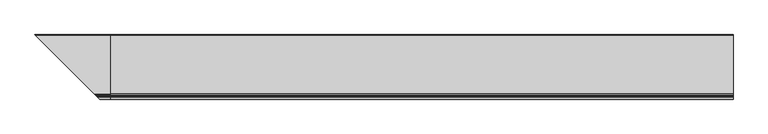
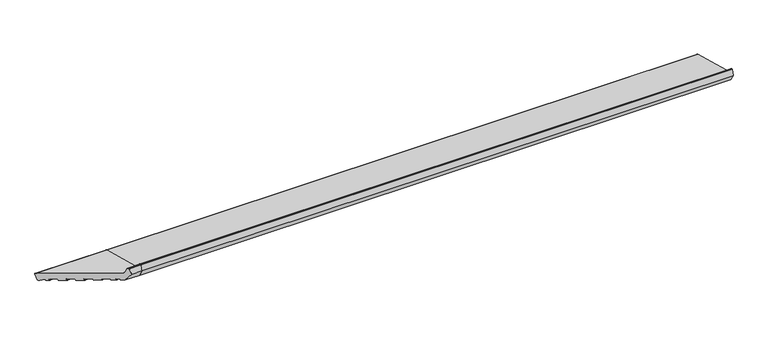
"""IFC4 building model written with IfcOpenShell, lengths in millimetres: proxy geometry."""

from ifc_helpers import new_model, si_unit, point, frame, frame_2d, origin, place, context, project, spatial, polyline, circle_curve, ellipse_curve, trimmed, segment, composite_curve, outline, extrude, source, transform, mapped, element, save
from ifc_brep_helpers import plane_surface, cylinder_surface, revolved_surface, advanced_brep


def generic_models_de0c3aec(model_context):
    return source(origin(), model_context, "Body", "SolidModel", [
        advanced_brep(
        [(0.0, 24.3497968, 5.5107678), (0.0, 28.0240314, 7.6320881), (0.0, 34.7533266, 32.7461596), (0.0, 32.6320062, 36.4203942), (0.0, -215.1626434, 102.8167705), (0.0, -219.4052841, 107.0594112), (0.0, -224.1879801, 124.908676), (0.0, -225.6368689, 126.0204474), (0.0, -228.9802434, 126.0204474), (0.0, -230.4291321, 124.908676), (0.0, -237.0, 100.3858631), (0.0, -219.3223305, 69.7672413), (0.0, -205.7993689, 66.1437747), (0.0, -204.574624, 66.8508815), (0.0, -203.5393479, 70.7145848), (0.0, -202.314603, 71.4216916), (0.0, -192.6553447, 68.8335011), (0.0, -191.9482379, 67.6087562), (0.0, -192.9835141, 63.7450529), (0.0, -192.2764073, 62.5203081), (0.0, -179.7193716, 59.1556605), (0.0, -178.4946267, 59.8627673), (0.0, -177.4593505, 63.7264706), (0.0, -176.2346057, 64.4335773), (0.0, -153.0523858, 58.2219203), (0.0, -152.3452791, 56.9971754), (0.0, -153.3805552, 53.1334721), (0.0, -152.6734485, 51.9087272), (0.0, -130.4571545, 45.9558892), (0.0, -129.2324096, 46.662996), (0.0, -128.1971334, 50.5266993), (0.0, -126.9723885, 51.233806), (0.0, -103.7901687, 45.022149), (0.0, -103.0830619, 43.7974041), (0.0, -104.1183381, 39.9337008), (0.0, -103.4112313, 38.7089559), (0.0, -81.1949373, 32.7561179), (0.0, -79.9701924, 33.4632247), (0.0, -78.9349163, 37.326928), (0.0, -77.7101714, 38.0340347), (0.0, -54.5279516, 31.8223777), (0.0, -53.8208448, 30.5976328), (0.0, -54.856121, 26.7339295), (0.0, -54.1490142, 25.5091846), (0.0, -31.9327202, 19.5563466), (0.0, -30.7079753, 20.2634534), (0.0, -29.6726991, 24.1271567), (0.0, -28.4479542, 24.8342634), (0.0, -5.2657344, 18.6226064), (0.0, -4.5586276, 17.3978615), (0.0, -5.5939038, 13.5341582), (0.0, -4.886797, 12.3094133), (0.0, 3.8065354, 9.9800419), (0.0, 5.0312803, 10.6871487), (0.0, 5.9805337, 14.2298107), (0.0, 7.4647895, 14.8261724), (0.0, 21.6330192, 6.2387261), (-306.3497968, 24.3497968, 5.5107678), (-310.0240314, 28.0240314, 7.6320881), (-316.7533266, 34.7533266, 32.7461596), (-314.6320062, 32.6320062, 36.4203942), (-66.8373566, -215.1626434, 102.8167705), (-62.5947159, -219.4052841, 107.0594112), (-57.8120199, -224.1879801, 124.908676), (-56.3631311, -225.6368689, 126.0204474), (-53.0197566, -228.9802434, 126.0204474), (-51.5708679, -230.4291321, 124.908676), (-45.0, -237.0, 100.3858631), (-62.6776695, -219.3223305, 69.7672413), (-76.2006311, -205.7993689, 66.1437747), (-77.425376, -204.574624, 66.8508815), (-78.4606521, -203.5393479, 70.7145848), (-79.685397, -202.314603, 71.4216916), (-89.3446553, -192.6553447, 68.8335011), (-90.0517621, -191.9482379, 67.6087562), (-89.0164859, -192.9835141, 63.7450529), (-89.7235927, -192.2764073, 62.5203081), (-102.2806284, -179.7193716, 59.1556605), (-103.5053733, -178.4946267, 59.8627673), (-104.5406495, -177.4593505, 63.7264706), (-105.7653943, -176.2346057, 64.4335773), (-303.6330192, 21.6330192, 6.2387261), (-128.9476142, -153.0523858, 58.2219203), (-128.6194448, -153.3805552, 53.1334721), (-129.3265515, -152.6734485, 51.9087272), (-129.6547209, -152.3452791, 56.9971754), (-151.5428455, -130.4571545, 45.9558892), (-152.7675904, -129.2324096, 46.662996), (-153.8028666, -128.1971334, 50.5266993), (-155.0276115, -126.9723885, 51.233806), (-178.2098313, -103.7901687, 45.022149), (-289.4647895, 7.4647895, 14.8261724), (-287.9805337, 5.9805337, 14.2298107), (-287.0312803, 5.0312803, 10.6871487), (-285.8065354, 3.8065354, 9.9800419), (-277.113203, -4.886797, 12.3094133), (-276.4060962, -5.5939038, 13.5341582), (-277.4413724, -4.5586276, 17.3978615), (-276.7342656, -5.2657344, 18.6226064), (-253.5520458, -28.4479542, 24.8342634), (-252.3273009, -29.6726991, 24.1271567), (-251.2920247, -30.7079753, 20.2634534), (-250.0672798, -31.9327202, 19.5563466), (-227.8509858, -54.1490142, 25.5091846), (-227.143879, -54.856121, 26.7339295), (-228.1791552, -53.8208448, 30.5976328), (-227.4720484, -54.5279516, 31.8223777), (-204.2898286, -77.7101714, 38.0340347), (-203.0650837, -78.9349163, 37.326928), (-202.0298076, -79.9701924, 33.4632247), (-200.8050627, -81.1949373, 32.7561179), (-178.5887687, -103.4112313, 38.7089559), (-177.8816619, -104.1183381, 39.9337008), (-178.9169381, -103.0830619, 43.7974041)],
        [
            (0, 1, circle_curve(frame((0.0, 25.1262539, 8.4085453), z_axis=(1.0, 0.0, 0.0), x_axis=(0.0, 1.0, 0.0)), 3.0)),
            (1, 2),
            (2, 3, circle_curve(frame((0.0, 31.8555491, 33.5226168), z_axis=(1.0, 0.0, 0.0), x_axis=(0.0, 1.0, 0.0)), 3.0)),
            (3, 4),
            (4, 5, circle_curve(frame((0.0, -213.6097291, 108.6123254), z_axis=(-1.0, 0.0, 0.0), x_axis=(0.0, 1.0, 0.0)), 6.0)),
            (5, 6),
            (6, 7, circle_curve(frame((0.0, -225.6368689, 124.5204474), z_axis=(1.0, 0.0, 0.0), x_axis=(0.0, 1.0, 0.0)), 1.5)),
            (7, 8),
            (8, 9, circle_curve(frame((0.0, -228.9802434, 124.5204474), z_axis=(1.0, 0.0, 0.0), x_axis=(0.0, 1.0, 0.0)), 1.5)),
            (9, 10),
            (10, 11),
            (11, 12),
            (12, 13, circle_curve(frame((0.0, -205.5405499, 67.1097005), z_axis=(1.0, 0.0, 0.0), x_axis=(0.0, 1.0, 0.0)), 1.0)),
            (13, 14),
            (14, 15, circle_curve(frame((0.0, -202.573422, 70.4557657), z_axis=(-1.0, 0.0, 0.0), x_axis=(0.0, 1.0, 0.0)), 1.0)),
            (15, 16),
            (16, 17, circle_curve(frame((0.0, -192.9141638, 67.8675753), z_axis=(-1.0, 0.0, 0.0), x_axis=(0.0, 1.0, 0.0)), 1.0)),
            (17, 18),
            (18, 19, circle_curve(frame((0.0, -192.0175883, 63.4862339), z_axis=(1.0, 0.0, 0.0), x_axis=(0.0, 1.0, 0.0)), 1.0)),
            (19, 20),
            (20, 21, circle_curve(frame((0.0, -179.4605525, 60.1215863), z_axis=(1.0, 0.0, 0.0), x_axis=(0.0, 1.0, 0.0)), 1.0)),
            (21, 22),
            (22, 23, circle_curve(frame((0.0, -176.4934247, 63.4676515), z_axis=(-1.0, 0.0, 0.0), x_axis=(0.0, 1.0, 0.0)), 1.0)),
            (23, 24),
            (24, 25, circle_curve(frame((0.0, -153.3112049, 57.2559944), z_axis=(-1.0, 0.0, 0.0), x_axis=(0.0, 1.0, 0.0)), 1.0)),
            (25, 26),
            (26, 27, circle_curve(frame((0.0, -152.4146294, 52.874653), z_axis=(1.0, 0.0, 0.0), x_axis=(0.0, 1.0, 0.0)), 1.0)),
            (27, 28),
            (28, 29, circle_curve(frame((0.0, -130.1983354, 46.921815), z_axis=(1.0, 0.0, 0.0), x_axis=(0.0, 1.0, 0.0)), 1.0)),
            (29, 30),
            (30, 31, circle_curve(frame((0.0, -127.2312076, 50.2678802), z_axis=(-1.0, 0.0, 0.0), x_axis=(0.0, 1.0, 0.0)), 1.0)),
            (31, 32),
            (32, 33, circle_curve(frame((0.0, -104.0489877, 44.0562231), z_axis=(-1.0, 0.0, 0.0), x_axis=(0.0, 1.0, 0.0)), 1.0)),
            (33, 34),
            (34, 35, circle_curve(frame((0.0, -103.1524123, 39.6748817), z_axis=(1.0, 0.0, 0.0), x_axis=(0.0, 1.0, 0.0)), 1.0)),
            (35, 36),
            (36, 37, circle_curve(frame((0.0, -80.9361183, 33.7220437), z_axis=(1.0, 0.0, 0.0), x_axis=(0.0, 1.0, 0.0)), 1.0)),
            (37, 38),
            (38, 39, circle_curve(frame((0.0, -77.9689904, 37.0681089), z_axis=(-1.0, 0.0, 0.0), x_axis=(0.0, 1.0, 0.0)), 1.0)),
            (39, 40),
            (40, 41, circle_curve(frame((0.0, -54.7867706, 30.8564518), z_axis=(-1.0, 0.0, 0.0), x_axis=(0.0, 1.0, 0.0)), 1.0)),
            (41, 42),
            (42, 43, circle_curve(frame((0.0, -53.8901951, 26.4751104), z_axis=(1.0, 0.0, 0.0), x_axis=(0.0, 1.0, 0.0)), 1.0)),
            (43, 44),
            (44, 45, circle_curve(frame((0.0, -31.6739011, 20.5222724), z_axis=(1.0, 0.0, 0.0), x_axis=(0.0, 1.0, 0.0)), 1.0)),
            (45, 46),
            (46, 47, circle_curve(frame((0.0, -28.7067733, 23.8683376), z_axis=(-1.0, 0.0, 0.0), x_axis=(0.0, 1.0, 0.0)), 1.0)),
            (47, 48),
            (48, 49, circle_curve(frame((0.0, -5.5245535, 17.6566805), z_axis=(-1.0, 0.0, 0.0), x_axis=(0.0, 1.0, 0.0)), 1.0)),
            (49, 50),
            (50, 51, circle_curve(frame((0.0, -4.627978, 13.2753391), z_axis=(1.0, 0.0, 0.0), x_axis=(0.0, 1.0, 0.0)), 1.0)),
            (51, 52),
            (52, 53, circle_curve(frame((0.0, 4.0653544, 10.9459677), z_axis=(1.0, 0.0, 0.0), x_axis=(0.0, 1.0, 0.0)), 1.0)),
            (53, 54),
            (54, 55, circle_curve(frame((0.0, 6.9464595, 13.9709917), z_axis=(-1.0, 0.0, 0.0), x_axis=(0.0, 1.0, 0.0)), 1.0)),
            (55, 56),
            (56, 0),
            (0, 57),
            (57, 58, ellipse_curve(frame((-307.1262539, 25.1262539, 8.4085453), z_axis=(0.707106781186548, 0.7071067811865471, 0.0), x_axis=(-0.707106781186547, 0.707106781186548, 0.0)), 4.2426407, 3.0)),
            (58, 1),
            (58, 59),
            (59, 2),
            (59, 60, ellipse_curve(frame((-313.8555491, 31.8555491, 33.5226168), z_axis=(0.707106781186548, 0.7071067811865471, 0.0), x_axis=(-0.707106781186547, 0.707106781186548, 0.0)), 4.2426407, 3.0)),
            (60, 3),
            (60, 61),
            (61, 4),
            (61, 62, ellipse_curve(frame((-68.3902709, -213.6097291, 108.6123254), z_axis=(-0.707106781186548, -0.7071067811865471, 0.0), x_axis=(0.707106781186547, -0.707106781186548, 0.0)), 8.4852814, 6.0)),
            (62, 5),
            (62, 63),
            (63, 6),
            (63, 64, ellipse_curve(frame((-56.3631311, -225.6368689, 124.5204474), z_axis=(0.707106781186548, 0.7071067811865471, 0.0), x_axis=(-0.707106781186547, 0.707106781186548, 0.0)), 2.1213203, 1.5)),
            (64, 7),
            (64, 65),
            (65, 8),
            (65, 66, ellipse_curve(frame((-53.0197566, -228.9802434, 124.5204474), z_axis=(0.707106781186548, 0.7071067811865471, 0.0), x_axis=(-0.707106781186547, 0.707106781186548, 0.0)), 2.1213203, 1.5)),
            (66, 9),
            (66, 67),
            (67, 10),
            (67, 68),
            (68, 11),
            (68, 69),
            (69, 12),
            (69, 70, ellipse_curve(frame((-76.4594501, -205.5405499, 67.1097005), z_axis=(0.707106781186548, 0.7071067811865471, 0.0), x_axis=(-0.707106781186547, 0.707106781186548, 0.0)), 1.4142136, 1.0)),
            (70, 13),
            (70, 71),
            (71, 14),
            (71, 72, ellipse_curve(frame((-79.426578, -202.573422, 70.4557657), z_axis=(-0.707106781186548, -0.7071067811865471, 0.0), x_axis=(0.707106781186547, -0.707106781186548, 0.0)), 1.4142136, 1.0)),
            (72, 15),
            (72, 73),
            (73, 16),
            (73, 74, ellipse_curve(frame((-89.0858362, -192.9141638, 67.8675753), z_axis=(-0.707106781186548, -0.7071067811865471, 0.0), x_axis=(0.707106781186547, -0.707106781186548, 0.0)), 1.4142136, 1.0)),
            (74, 17),
            (74, 75),
            (75, 18),
            (75, 76, ellipse_curve(frame((-89.9824117, -192.0175883, 63.4862339), z_axis=(0.707106781186548, 0.7071067811865471, 0.0), x_axis=(-0.707106781186547, 0.707106781186548, 0.0)), 1.4142136, 1.0)),
            (76, 19),
            (76, 77),
            (77, 20),
            (77, 78, ellipse_curve(frame((-102.5394475, -179.4605525, 60.1215863), z_axis=(0.707106781186548, 0.7071067811865471, 0.0), x_axis=(-0.707106781186547, 0.707106781186548, 0.0)), 1.4142136, 1.0)),
            (78, 21),
            (78, 79),
            (79, 22),
            (79, 80, ellipse_curve(frame((-105.5065753, -176.4934247, 63.4676515), z_axis=(-0.707106781186548, -0.7071067811865471, 0.0), x_axis=(0.707106781186547, -0.707106781186548, 0.0)), 1.4142136, 1.0)),
            (80, 23),
            (56, 81),
            (81, 57),
            (80, 82),
            (82, 24),
            (26, 83),
            (83, 84, ellipse_curve(frame((-129.5853706, -152.4146294, 52.874653), z_axis=(0.707106781186548, 0.7071067811865471, 0.0), x_axis=(-0.707106781186547, 0.707106781186548, 0.0)), 1.4142136, 1.0)),
            (84, 27),
            (25, 85),
            (85, 83),
            (82, 85, ellipse_curve(frame((-128.6887951, -153.3112049, 57.2559944), z_axis=(-0.707106781186548, -0.7071067811865471, 0.0), x_axis=(0.707106781186547, -0.707106781186548, 0.0)), 1.4142136, 1.0)),
            (84, 86),
            (86, 28),
            (86, 87, ellipse_curve(frame((-151.8016646, -130.1983354, 46.921815), z_axis=(0.707106781186548, 0.7071067811865471, 0.0), x_axis=(-0.707106781186547, 0.707106781186548, 0.0)), 1.4142136, 1.0)),
            (87, 29),
            (87, 88),
            (88, 30),
            (88, 89, ellipse_curve(frame((-154.7687924, -127.2312076, 50.2678802), z_axis=(-0.707106781186548, -0.7071067811865471, 0.0), x_axis=(0.707106781186547, -0.707106781186548, 0.0)), 1.4142136, 1.0)),
            (89, 31),
            (89, 90),
            (90, 32),
            (81, 91),
            (91, 92, ellipse_curve(frame((-288.9464595, 6.9464595, 13.9709917), z_axis=(0.707106781186548, 0.7071067811865471, 0.0), x_axis=(0.707106781186547, -0.707106781186548, 0.0)), 1.4142136, 1.0)),
            (92, 93),
            (93, 94, ellipse_curve(frame((-286.0653544, 4.0653544, 10.9459677), z_axis=(-0.707106781186548, -0.7071067811865471, 0.0), x_axis=(-0.707106781186547, 0.707106781186548, 0.0)), 1.4142136, 1.0)),
            (94, 95),
            (95, 96, ellipse_curve(frame((-277.372022, -4.627978, 13.2753391), z_axis=(-0.707106781186548, -0.7071067811865471, 0.0), x_axis=(-0.707106781186547, 0.707106781186548, 0.0)), 1.4142136, 1.0)),
            (96, 97),
            (97, 98, ellipse_curve(frame((-276.4754465, -5.5245535, 17.6566805), z_axis=(0.707106781186548, 0.7071067811865471, 0.0), x_axis=(0.707106781186547, -0.707106781186548, 0.0)), 1.4142136, 1.0)),
            (98, 99),
            (99, 100, ellipse_curve(frame((-253.2932267, -28.7067733, 23.8683376), z_axis=(0.707106781186548, 0.7071067811865471, 0.0), x_axis=(0.707106781186547, -0.707106781186548, 0.0)), 1.4142136, 1.0)),
            (100, 101),
            (101, 102, ellipse_curve(frame((-250.3260989, -31.6739011, 20.5222724), z_axis=(-0.707106781186548, -0.7071067811865471, 0.0), x_axis=(-0.707106781186547, 0.707106781186548, 0.0)), 1.4142136, 1.0)),
            (102, 103),
            (103, 104, ellipse_curve(frame((-228.1098049, -53.8901951, 26.4751104), z_axis=(-0.707106781186548, -0.7071067811865471, 0.0), x_axis=(-0.707106781186547, 0.707106781186548, 0.0)), 1.4142136, 1.0)),
            (104, 105),
            (105, 106, ellipse_curve(frame((-227.2132294, -54.7867706, 30.8564518), z_axis=(0.707106781186548, 0.7071067811865471, 0.0), x_axis=(0.707106781186547, -0.707106781186548, 0.0)), 1.4142136, 1.0)),
            (106, 107),
            (107, 108, ellipse_curve(frame((-204.0310096, -77.9689904, 37.0681089), z_axis=(0.707106781186548, 0.7071067811865471, 0.0), x_axis=(0.707106781186547, -0.707106781186548, 0.0)), 1.4142136, 1.0)),
            (108, 109),
            (109, 110, ellipse_curve(frame((-201.0638817, -80.9361183, 33.7220437), z_axis=(-0.707106781186548, -0.7071067811865471, 0.0), x_axis=(-0.707106781186547, 0.707106781186548, 0.0)), 1.4142136, 1.0)),
            (110, 111),
            (111, 112, ellipse_curve(frame((-178.8475877, -103.1524123, 39.6748817), z_axis=(-0.707106781186548, -0.7071067811865471, 0.0), x_axis=(-0.707106781186547, 0.707106781186548, 0.0)), 1.4142136, 1.0)),
            (112, 113),
            (113, 90, ellipse_curve(frame((-177.9510123, -104.0489877, 44.0562231), z_axis=(0.707106781186548, 0.7071067811865471, 0.0), x_axis=(0.707106781186547, -0.707106781186548, 0.0)), 1.4142136, 1.0)),
            (39, 107),
            (106, 40),
            (38, 108),
            (37, 109),
            (36, 110),
            (35, 111),
            (34, 112),
            (33, 113),
            (47, 99),
            (98, 48),
            (46, 100),
            (45, 101),
            (44, 102),
            (43, 103),
            (42, 104),
            (41, 105),
            (55, 91),
            (54, 92),
            (53, 93),
            (52, 94),
            (51, 95),
            (50, 96),
            (49, 97),
        ],
        [
            plane_surface(frame((0.0, 0.0, 0.0), z_axis=(1.0, 0.0, 0.0), x_axis=(0.0, 0.0, 1.0))),
            cylinder_surface(frame((-317.4826586, 25.1262539, 8.4085453), z_axis=(-1.0, 0.0, 0.0), x_axis=(0.0, 1.0, 0.0)), 3.0),
            plane_surface(frame((-317.4826586, 34.7533266, 32.7461596), z_axis=(0.0, 0.9659258262890676, -0.2588190451025235), x_axis=(1.0, 0.0, 0.0))),
            cylinder_surface(frame((-317.4826586, 31.8555491, 33.5226168), z_axis=(-1.0, 0.0, 0.0), x_axis=(0.0, 1.0, 0.0)), 3.0),
            plane_surface(frame((-317.4826586, -215.1626434, 102.8167705), z_axis=(0.0, 0.2588190451025206, 0.9659258262890683), x_axis=(1.0, 0.0, 0.0))),
            revolved_surface(polyline([(0.0, -207.6097291, 108.6123254), (-74.39027091821609, -207.6097291, 108.6123254)]), (-317.4826586, -213.6097291, 108.6123254), (1.0, 0.0, 0.0)),
            plane_surface(frame((-317.4826586, -224.1879801, 124.908676), z_axis=(0.0, 0.96592582628907, 0.2588190451025146), x_axis=(1.0, 0.0, 0.0))),
            cylinder_surface(frame((-317.4826586, -225.6368689, 124.5204474), z_axis=(-1.0, 0.0, 0.0), x_axis=(0.0, 1.0, 0.0)), 1.5),
            plane_surface(frame((-317.4826586, -228.9802434, 126.0204474), z_axis=(0.0, 0.0, 1.0), x_axis=(1.0, 0.0, 0.0))),
            cylinder_surface(frame((-317.4826586, -228.9802434, 124.5204474), z_axis=(-1.0, 0.0, 0.0), x_axis=(0.0, 1.0, 0.0)), 1.5),
            plane_surface(frame((-317.4826586, -237.0, 100.3858631), z_axis=(0.0, -0.9659258262890683, 0.2588190451025209), x_axis=(1.0, 0.0, 0.0))),
            plane_surface(frame((-317.4826586, -219.3223305, 69.7672413), z_axis=(0.0, -0.8660254037844384, -0.5000000000000007), x_axis=(1.0, 0.0, 0.0))),
            plane_surface(frame((-317.4826586, -205.7993689, 66.1437747), z_axis=(0.0, -0.2588190451025184, -0.965925826289069), x_axis=(1.0, 0.0, 0.0))),
            cylinder_surface(frame((-317.4826586, -205.5405499, 67.1097005), z_axis=(-1.0, 0.0, 0.0), x_axis=(0.0, 1.0, 0.0)), 1.0),
            plane_surface(frame((-317.4826586, -203.5393479, 70.7145848), z_axis=(0.0, 0.9659258262890633, -0.25881904510253945), x_axis=(1.0, 0.0, 0.0))),
            revolved_surface(polyline([(0.0, -201.573422, 70.4557657), (-80.42657802660625, -201.573422, 70.4557657)]), (-317.4826586, -202.573422, 70.4557657), (1.0, 0.0, 0.0)),
            plane_surface(frame((-317.4826586, -192.6553447, 68.8335011), z_axis=(0.0, -0.25881904510251835, -0.965925826289069), x_axis=(1.0, 0.0, 0.0))),
            revolved_surface(polyline([(0.0, -191.9141638, 67.8675753), (-90.08583622660626, -191.9141638, 67.8675753)]), (-317.4826586, -192.9141638, 67.8675753), (1.0, 0.0, 0.0)),
            plane_surface(frame((-317.4826586, -192.9835141, 63.7450529), z_axis=(0.0, -0.9659258262890634, 0.2588190451025389), x_axis=(1.0, 0.0, 0.0))),
            cylinder_surface(frame((-317.4826586, -192.0175883, 63.4862339), z_axis=(-1.0, 0.0, 0.0), x_axis=(0.0, 1.0, 0.0)), 1.0),
            plane_surface(frame((-317.4826586, -179.7193716, 59.1556605), z_axis=(0.0, -0.2588190451025211, -0.9659258262890682), x_axis=(1.0, 0.0, 0.0))),
            cylinder_surface(frame((-317.4826586, -179.4605525, 60.1215863), z_axis=(-1.0, 0.0, 0.0), x_axis=(0.0, 1.0, 0.0)), 1.0),
            plane_surface(frame((-317.4826586, -177.4593505, 63.7264706), z_axis=(0.0, 0.9659258262890634, -0.2588190451025389), x_axis=(1.0, 0.0, 0.0))),
            revolved_surface(polyline([(0.0, -175.4934247, 63.4676515), (-106.50657532660625, -175.4934247, 63.4676515)]), (-317.4826586, -176.4934247, 63.4676515), (1.0, 0.0, 0.0)),
            plane_surface(frame((-317.4826586, 24.3497968, 5.5107678), z_axis=(0.0, -0.2588190451025044, -0.9659258262890728), x_axis=(1.0, 0.0, 0.0))),
            plane_surface(frame((-317.4826586, -153.0523858, 58.2219203), z_axis=(0.0, -0.2588190451025228, -0.9659258262890678), x_axis=(1.0, 0.0, 0.0))),
            cylinder_surface(frame((-317.4826586, -152.4146294, 52.874653), z_axis=(-1.0, 0.0, 0.0), x_axis=(0.0, 1.0, 0.0)), 1.0),
            plane_surface(frame((-317.4826586, -153.3805552, 53.1334721), z_axis=(0.0, -0.9659258262890634, 0.2588190451025389), x_axis=(1.0, 0.0, 0.0))),
            revolved_surface(polyline([(0.0, -152.3112049, 57.2559944), (-129.68879512660624, -152.3112049, 57.2559944)]), (-317.4826586, -153.3112049, 57.2559944), (1.0, 0.0, 0.0)),
            plane_surface(frame((-317.4826586, -130.4571545, 45.9558892), z_axis=(0.0, -0.2588190451025197, -0.9659258262890685), x_axis=(1.0, 0.0, 0.0))),
            cylinder_surface(frame((-317.4826586, -130.1983354, 46.921815), z_axis=(-1.0, 0.0, 0.0), x_axis=(0.0, 1.0, 0.0)), 1.0),
            plane_surface(frame((-317.4826586, -128.1971334, 50.5266993), z_axis=(0.0, 0.9659258262890634, -0.2588190451025389), x_axis=(1.0, 0.0, 0.0))),
            revolved_surface(polyline([(0.0, -126.2312076, 50.2678802), (-155.76879242660624, -126.2312076, 50.2678802)]), (-317.4826586, -127.2312076, 50.2678802), (1.0, 0.0, 0.0)),
            plane_surface(frame((-317.4826586, -103.7901687, 45.022149), z_axis=(0.0, -0.2588190451025182, -0.965925826289069), x_axis=(1.0, 0.0, 0.0))),
            plane_surface(frame((-263.2588285, -18.7411715, 0.0), z_axis=(-0.707106781186548, -0.7071067811865471, 0.0), x_axis=(0.0, 0.0, 1.0))),
            plane_surface(frame((-317.4826586, -54.5279516, 31.8223777), z_axis=(0.0, -0.2588190451025182, -0.965925826289069), x_axis=(1.0, 0.0, 0.0))),
            revolved_surface(polyline([(0.0, -76.9689904, 37.0681089), (-205.03100962660625, -76.9689904, 37.0681089)]), (-317.4826586, -77.9689904, 37.0681089), (1.0, 0.0, 0.0)),
            plane_surface(frame((-317.4826586, -78.9349163, 37.326928), z_axis=(0.0, 0.9659258262890623, -0.2588190451025431), x_axis=(1.0, 0.0, 0.0))),
            cylinder_surface(frame((-317.4826586, -80.9361183, 33.7220437), z_axis=(-1.0, 0.0, 0.0), x_axis=(0.0, 1.0, 0.0)), 1.0),
            plane_surface(frame((-317.4826586, -81.1949373, 32.7561179), z_axis=(0.0, -0.2588190451025201, -0.9659258262890685), x_axis=(1.0, 0.0, 0.0))),
            cylinder_surface(frame((-317.4826586, -103.1524123, 39.6748817), z_axis=(-1.0, 0.0, 0.0), x_axis=(0.0, 1.0, 0.0)), 1.0),
            plane_surface(frame((-317.4826586, -104.1183381, 39.9337008), z_axis=(0.0, -0.9659258262890634, 0.2588190451025389), x_axis=(1.0, 0.0, 0.0))),
            revolved_surface(polyline([(0.0, -103.0489877, 44.0562231), (-178.95101232660625, -103.0489877, 44.0562231)]), (-317.4826586, -104.0489877, 44.0562231), (1.0, 0.0, 0.0)),
            plane_surface(frame((-317.4826586, -5.2657344, 18.6226064), z_axis=(0.0, -0.25881904510252035, -0.9659258262890684), x_axis=(1.0, 0.0, 0.0))),
            revolved_surface(polyline([(0.0, -27.7067733, 23.8683376), (-254.29322672660624, -27.7067733, 23.8683376)]), (-317.4826586, -28.7067733, 23.8683376), (1.0, 0.0, 0.0)),
            plane_surface(frame((-317.4826586, -29.6726991, 24.1271567), z_axis=(0.0, 0.9659258262890703, -0.2588190451025135), x_axis=(1.0, 0.0, 0.0))),
            cylinder_surface(frame((-317.4826586, -31.6739011, 20.5222724), z_axis=(-1.0, 0.0, 0.0), x_axis=(0.0, 1.0, 0.0)), 1.0),
            plane_surface(frame((-317.4826586, -31.9327202, 19.5563466), z_axis=(0.0, -0.2588190451025211, -0.9659258262890682), x_axis=(1.0, 0.0, 0.0))),
            cylinder_surface(frame((-317.4826586, -53.8901951, 26.4751104), z_axis=(-1.0, 0.0, 0.0), x_axis=(0.0, 1.0, 0.0)), 1.0),
            plane_surface(frame((-317.4826586, -54.856121, 26.7339295), z_axis=(0.0, -0.9659258262890782, 0.2588190451024839), x_axis=(1.0, 0.0, 0.0))),
            revolved_surface(polyline([(0.0, -53.7867706, 30.8564518), (-228.21322942660623, -53.7867706, 30.8564518)]), (-317.4826586, -54.7867706, 30.8564518), (1.0, 0.0, 0.0)),
            plane_surface(frame((-317.4826586, 21.6330192, 6.2387261), z_axis=(0.0, -0.51832998343298, -0.8551806991942502), x_axis=(1.0, 0.0, 0.0))),
            revolved_surface(polyline([(0.0, 7.9464595, 13.9709917), (-289.94645952660625, 7.9464595, 13.9709917)]), (-317.4826586, 6.9464595, 13.9709917), (1.0, 0.0, 0.0)),
            plane_surface(frame((-317.4826586, 5.9805337, 14.2298107), z_axis=(0.0, 0.9659258262890684, -0.2588190451025206), x_axis=(1.0, 0.0, 0.0))),
            cylinder_surface(frame((-317.4826586, 4.0653544, 10.9459677), z_axis=(-1.0, 0.0, 0.0), x_axis=(0.0, 1.0, 0.0)), 1.0),
            plane_surface(frame((-317.4826586, 3.8065354, 9.9800419), z_axis=(0.0, -0.2588190451025218, -0.9659258262890681), x_axis=(1.0, 0.0, 0.0))),
            cylinder_surface(frame((-317.4826586, -4.627978, 13.2753391), z_axis=(-1.0, 0.0, 0.0), x_axis=(0.0, 1.0, 0.0)), 1.0),
            plane_surface(frame((-317.4826586, -5.5939038, 13.5341582), z_axis=(0.0, -0.9659258262890701, 0.25881904510251386), x_axis=(1.0, 0.0, 0.0))),
            revolved_surface(polyline([(0.0, -4.5245535, 17.6566805), (-277.4754465266062, -4.5245535, 17.6566805)]), (-317.4826586, -5.5245535, 17.6566805), (1.0, 0.0, 0.0)),
        ],
        [
            (0, [[1, 2, 3, 4, 5, 6, 7, 8, 9, 10, 11, 12, 13, 14, 15, 16, 17, 18, 19, 20, 21, 22, 23, 24, 25, 26, 27, 28, 29, 30, 31, 32, 33, 34, 35, 36, 37, 38, 39, 40, 41, 42, 43, 44, 45, 46, 47, 48, 49, 50, 51, 52, 53, 54, 55, 56, 57]]),
            (1, [[-1, 58, 59, 60]]),
            (2, [[-2, -60, 61, 62]]),
            (3, [[-3, -62, 63, 64]]),
            (4, [[-4, -64, 65, 66]]),
            (5, [[-5, -66, 67, 68]]),
            (6, [[-6, -68, 69, 70]]),
            (7, [[-7, -70, 71, 72]]),
            (8, [[-8, -72, 73, 74]]),
            (9, [[-9, -74, 75, 76]]),
            (10, [[-10, -76, 77, 78]]),
            (11, [[-11, -78, 79, 80]]),
            (12, [[-12, -80, 81, 82]]),
            (13, [[-13, -82, 83, 84]]),
            (14, [[-14, -84, 85, 86]]),
            (15, [[-15, -86, 87, 88]]),
            (16, [[-16, -88, 89, 90]]),
            (17, [[-17, -90, 91, 92]]),
            (18, [[-18, -92, 93, 94]]),
            (19, [[-19, -94, 95, 96]]),
            (20, [[-20, -96, 97, 98]]),
            (21, [[-21, -98, 99, 100]]),
            (22, [[-22, -100, 101, 102]]),
            (23, [[-23, -102, 103, 104]]),
            (24, [[-57, 105, 106, -58]]),
            (25, [[-24, -104, 107, 108]]),
            (26, [[-27, 109, 110, 111]]),
            (27, [[-26, 112, 113, -109]]),
            (28, [[-25, -108, 114, -112]]),
            (29, [[-28, -111, 115, 116]]),
            (30, [[-29, -116, 117, 118]]),
            (31, [[-30, -118, 119, 120]]),
            (32, [[-31, -120, 121, 122]]),
            (33, [[-32, -122, 123, 124]]),
            (34, [[-59, -106, 125, 126, 127, 128, 129, 130, 131, 132, 133, 134, 135, 136, 137, 138, 139, 140, 141, 142, 143, 144, 145, 146, 147, 148, -123, -121, -119, -117, -115, -110, -113, -114, -107, -103, -101, -99, -97, -95, -93, -91, -89, -87, -85, -83, -81, -79, -77, -75, -73, -71, -69, -67, -65, -63, -61]]),
            (35, [[-40, 149, -141, 150]]),
            (36, [[-39, 151, -142, -149]]),
            (37, [[-38, 152, -143, -151]]),
            (38, [[-37, 153, -144, -152]]),
            (39, [[-36, 154, -145, -153]]),
            (40, [[-35, 155, -146, -154]]),
            (41, [[-34, 156, -147, -155]]),
            (42, [[-33, -124, -148, -156]]),
            (43, [[-48, 157, -133, 158]]),
            (44, [[-47, 159, -134, -157]]),
            (45, [[-46, 160, -135, -159]]),
            (46, [[-45, 161, -136, -160]]),
            (47, [[-44, 162, -137, -161]]),
            (48, [[-43, 163, -138, -162]]),
            (49, [[-42, 164, -139, -163]]),
            (50, [[-41, -150, -140, -164]]),
            (51, [[-56, 165, -125, -105]]),
            (52, [[-55, 166, -126, -165]]),
            (53, [[-54, 167, -127, -166]]),
            (54, [[-53, 168, -128, -167]]),
            (55, [[-52, 169, -129, -168]]),
            (56, [[-51, 170, -130, -169]]),
            (57, [[-50, 171, -131, -170]]),
            (58, [[-49, -158, -132, -171]]),
        ],
    ),
        extrude(outline(composite_curve([segment(polyline([(24.3497968, 5.5107678), (21.6330192, 6.2387261), (7.4647895, 14.8261724)]), True, "CONTINUOUS"), segment(trimmed(circle_curve(frame_2d((6.9464595, 13.9709917)), 1.0), [point((7.4647895, 14.8261724))], [point((5.9805337, 14.2298107))], True, "CARTESIAN"), True, "CONTINUOUS"), segment(polyline([(5.9805337, 14.2298107), (5.0312803, 10.6871487)]), True, "CONTINUOUS"), segment(trimmed(circle_curve(frame_2d((4.0653544, 10.9459677)), 1.0), [point((5.0312803, 10.6871487))], [point((3.8065354, 9.9800419))], False, "CARTESIAN"), True, "CONTINUOUS"), segment(polyline([(3.8065354, 9.9800419), (-4.886797, 12.3094133)]), True, "CONTINUOUS"), segment(trimmed(circle_curve(frame_2d((-4.627978, 13.2753391)), 1.0), [point((-4.886797, 12.3094133))], [point((-5.5939038, 13.5341582))], False, "CARTESIAN"), True, "CONTINUOUS"), segment(polyline([(-5.5939038, 13.5341582), (-4.5586276, 17.3978615)]), True, "CONTINUOUS"), segment(trimmed(circle_curve(frame_2d((-5.5245535, 17.6566805)), 1.0), [point((-4.5586276, 17.3978615))], [point((-5.2657344, 18.6226064))], True, "CARTESIAN"), True, "CONTINUOUS"), segment(polyline([(-5.2657344, 18.6226064), (-28.4479542, 24.8342634)]), True, "CONTINUOUS"), segment(trimmed(circle_curve(frame_2d((-28.7067733, 23.8683376)), 1.0), [point((-28.4479542, 24.8342634))], [point((-29.6726991, 24.1271567))], True, "CARTESIAN"), True, "CONTINUOUS"), segment(polyline([(-29.6726991, 24.1271567), (-30.7079753, 20.2634534)]), True, "CONTINUOUS"), segment(trimmed(circle_curve(frame_2d((-31.6739011, 20.5222724)), 1.0), [point((-30.7079753, 20.2634534))], [point((-31.9327202, 19.5563466))], False, "CARTESIAN"), True, "CONTINUOUS"), segment(polyline([(-31.9327202, 19.5563466), (-54.1490142, 25.5091846)]), True, "CONTINUOUS"), segment(trimmed(circle_curve(frame_2d((-53.8901951, 26.4751104)), 1.0), [point((-54.1490142, 25.5091846))], [point((-54.856121, 26.7339295))], False, "CARTESIAN"), True, "CONTINUOUS"), segment(polyline([(-54.856121, 26.7339295), (-53.8208448, 30.5976328)]), True, "CONTINUOUS"), segment(trimmed(circle_curve(frame_2d((-54.7867706, 30.8564518)), 1.0), [point((-53.8208448, 30.5976328))], [point((-54.5279516, 31.8223777))], True, "CARTESIAN"), True, "CONTINUOUS"), segment(polyline([(-54.5279516, 31.8223777), (-77.7101714, 38.0340347)]), True, "CONTINUOUS"), segment(trimmed(circle_curve(frame_2d((-77.9689904, 37.0681089)), 1.0), [point((-77.7101714, 38.0340347))], [point((-78.9349163, 37.326928))], True, "CARTESIAN"), True, "CONTINUOUS"), segment(polyline([(-78.9349163, 37.326928), (-79.9701924, 33.4632247)]), True, "CONTINUOUS"), segment(trimmed(circle_curve(frame_2d((-80.9361183, 33.7220437)), 1.0), [point((-79.9701924, 33.4632247))], [point((-81.1949373, 32.7561179))], False, "CARTESIAN"), True, "CONTINUOUS"), segment(polyline([(-81.1949373, 32.7561179), (-103.4112313, 38.7089559)]), True, "CONTINUOUS"), segment(trimmed(circle_curve(frame_2d((-103.1524123, 39.6748817)), 1.0), [point((-103.4112313, 38.7089559))], [point((-104.1183381, 39.9337008))], False, "CARTESIAN"), True, "CONTINUOUS"), segment(polyline([(-104.1183381, 39.9337008), (-103.0830619, 43.7974041)]), True, "CONTINUOUS"), segment(trimmed(circle_curve(frame_2d((-104.0489877, 44.0562231)), 1.0), [point((-103.0830619, 43.7974041))], [point((-103.7901687, 45.022149))], True, "CARTESIAN"), True, "CONTINUOUS"), segment(polyline([(-103.7901687, 45.022149), (-126.9723885, 51.233806)]), True, "CONTINUOUS"), segment(trimmed(circle_curve(frame_2d((-127.2312076, 50.2678802)), 1.0), [point((-126.9723885, 51.233806))], [point((-128.1971334, 50.5266993))], True, "CARTESIAN"), True, "CONTINUOUS"), segment(polyline([(-128.1971334, 50.5266993), (-129.2324096, 46.662996)]), True, "CONTINUOUS"), segment(trimmed(circle_curve(frame_2d((-130.1983354, 46.921815)), 1.0), [point((-129.2324096, 46.662996))], [point((-130.4571545, 45.9558892))], False, "CARTESIAN"), True, "CONTINUOUS"), segment(polyline([(-130.4571545, 45.9558892), (-152.6734485, 51.9087272)]), True, "CONTINUOUS"), segment(trimmed(circle_curve(frame_2d((-152.4146294, 52.874653)), 1.0), [point((-152.6734485, 51.9087272))], [point((-153.3805552, 53.1334721))], False, "CARTESIAN"), True, "CONTINUOUS"), segment(polyline([(-153.3805552, 53.1334721), (-152.3452791, 56.9971754)]), True, "CONTINUOUS"), segment(trimmed(circle_curve(frame_2d((-153.3112049, 57.2559944)), 1.0), [point((-152.3452791, 56.9971754))], [point((-153.0523858, 58.2219203))], True, "CARTESIAN"), True, "CONTINUOUS"), segment(polyline([(-153.0523858, 58.2219203), (-176.2346057, 64.4335773)]), True, "CONTINUOUS"), segment(trimmed(circle_curve(frame_2d((-176.4934247, 63.4676515)), 1.0), [point((-176.2346057, 64.4335773))], [point((-177.4593505, 63.7264706))], True, "CARTESIAN"), True, "CONTINUOUS"), segment(polyline([(-177.4593505, 63.7264706), (-178.4946267, 59.8627673)]), True, "CONTINUOUS"), segment(trimmed(circle_curve(frame_2d((-179.4605525, 60.1215863)), 1.0), [point((-178.4946267, 59.8627673))], [point((-179.7193716, 59.1556605))], False, "CARTESIAN"), True, "CONTINUOUS"), segment(polyline([(-179.7193716, 59.1556605), (-192.2764073, 62.5203081)]), True, "CONTINUOUS"), segment(trimmed(circle_curve(frame_2d((-192.0175883, 63.4862339)), 1.0), [point((-192.2764073, 62.5203081))], [point((-192.9835141, 63.7450529))], False, "CARTESIAN"), True, "CONTINUOUS"), segment(polyline([(-192.9835141, 63.7450529), (-191.9482379, 67.6087562)]), True, "CONTINUOUS"), segment(trimmed(circle_curve(frame_2d((-192.9141638, 67.8675753)), 1.0), [point((-191.9482379, 67.6087562))], [point((-192.6553447, 68.8335011))], True, "CARTESIAN"), True, "CONTINUOUS"), segment(polyline([(-192.6553447, 68.8335011), (-202.314603, 71.4216916)]), True, "CONTINUOUS"), segment(trimmed(circle_curve(frame_2d((-202.573422, 70.4557657)), 1.0), [point((-202.314603, 71.4216916))], [point((-203.5393479, 70.7145848))], True, "CARTESIAN"), True, "CONTINUOUS"), segment(polyline([(-203.5393479, 70.7145848), (-204.574624, 66.8508815)]), True, "CONTINUOUS"), segment(trimmed(circle_curve(frame_2d((-205.5405499, 67.1097005)), 1.0), [point((-204.574624, 66.8508815))], [point((-205.7993689, 66.1437747))], False, "CARTESIAN"), True, "CONTINUOUS"), segment(polyline([(-205.7993689, 66.1437747), (-219.3223305, 69.7672413), (-237.0, 100.3858631), (-230.4291321, 124.908676)]), True, "CONTINUOUS"), segment(trimmed(circle_curve(frame_2d((-228.9802434, 124.5204474)), 1.5), [point((-230.4291321, 124.908676))], [point((-228.9802434, 126.0204474))], False, "CARTESIAN"), True, "CONTINUOUS"), segment(polyline([(-228.9802434, 126.0204474), (-225.6368689, 126.0204474)]), True, "CONTINUOUS"), segment(trimmed(circle_curve(frame_2d((-225.6368689, 124.5204474)), 1.5), [point((-225.6368689, 126.0204474))], [point((-224.1879801, 124.908676))], False, "CARTESIAN"), True, "CONTINUOUS"), segment(polyline([(-224.1879801, 124.908676), (-219.4052841, 107.0594112)]), True, "CONTINUOUS"), segment(trimmed(circle_curve(frame_2d((-213.6097291, 108.6123254)), 6.0), [point((-219.4052841, 107.0594112))], [point((-215.1626434, 102.8167705))], True, "CARTESIAN"), True, "CONTINUOUS"), segment(polyline([(-215.1626434, 102.8167705), (32.6320062, 36.4203942)]), True, "CONTINUOUS"), segment(trimmed(circle_curve(frame_2d((31.8555491, 33.5226168)), 3.0), [point((32.6320062, 36.4203942))], [point((34.7533266, 32.7461596))], False, "CARTESIAN"), True, "CONTINUOUS"), segment(polyline([(34.7533266, 32.7461596), (28.0240314, 7.6320881)]), True, "CONTINUOUS"), segment(trimmed(circle_curve(frame_2d((25.1262539, 8.4085453)), 3.0), [point((28.0240314, 7.6320881))], [point((24.3497968, 5.5107678))], False, "CARTESIAN"), True, "CONTINUOUS")], self_intersect=False)), frame((0.0, 0.0, 0.0), z_axis=(1.0, 0.0, 0.0), x_axis=(0.0, 1.0, 0.0)), (0.0, 0.0, 1.0), 2620.0),
    ])


if __name__ == "__main__":
    model = new_model("IFC4")
    model_context = context("Model", 3, world=origin())
    ifc_project = project(units=[si_unit("LENGTHUNIT", "METRE", prefix="MILLI")], contexts=[model_context])
    site = spatial("IfcSite", under=ifc_project)
    building = spatial("IfcBuilding", under=site)
    placement = place(None, origin())
    generic_models_shape = generic_models_de0c3aec(model_context)
    element("IfcBuildingElementProxy", 1, Name="Generic Models", at=placement, inside=building, context=model_context, shape_type="MappedRepresentation", body=[
        mapped(generic_models_shape, transform((0.0, 0.0, 0.0), x_axis=(1.0, 0.0, 0.0), y_axis=(0.0, 1.0, 0.0), z_axis=(0.0, 0.0, 1.0))),
    ])
    save(model, "model.ifc")
